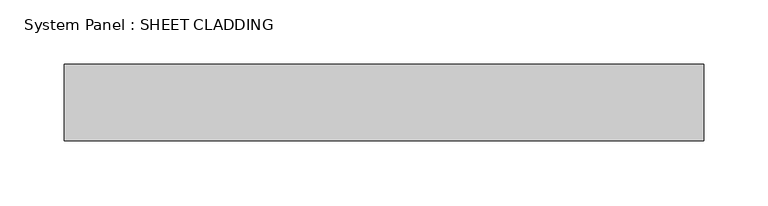
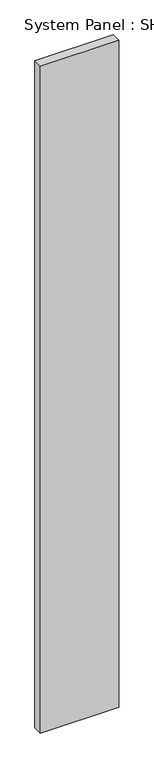
"""IFC4 building model written with IfcOpenShell, lengths in millimetres: plate geometry, System Panel : SHEET CLADDING."""

import ifcopenshell
import ifcopenshell.guid

model = None  # the IFC model being written
_history = None  # IfcOwnerHistory: only IFC2X3 demands one
_inside = {}  # id of a spatial element -> (the spatial element, [elements in it])
_under = {}  # id of a project, library or spatial element -> (it, [spatial elements below it])
_declared = {}  # id of a project -> (the project, [libraries it declares])
_typed = {}  # id of a type object -> (the type object, [elements of that type])
_made_of = {}  # id of a material, layer set ... -> (it, [elements and type objects made of it])


def new_model(schema):
    """Start an empty IFC model of exactly this schema.

    Asked for "IFC4X3", IfcOpenShell would pick the latest addendum, in which some entities
    have other attributes; the version numbers below select the first issue.
    IFC2X3 requires an IfcOwnerHistory on every rooted entity: one is made here for all.
    """
    global model, _history
    if schema == "IFC4X3":
        model = ifcopenshell.file(schema_version=(4, 3, 0, 0))
    else:
        model = ifcopenshell.file(schema=schema)
    _inside.clear()
    _under.clear()
    _declared.clear()
    _typed.clear()
    _made_of.clear()
    _history = None
    if model.schema == "IFC2X3":
        org = make("IfcOrganization", Name="unknown")
        user = make(
            "IfcPersonAndOrganization",
            ThePerson=make("IfcPerson", FamilyName="unknown"),
            TheOrganization=org,
        )
        app = make(
            "IfcApplication",
            ApplicationDeveloper=org,
            Version="unknown",
            ApplicationFullName="unknown",
            ApplicationIdentifier="unknown",
        )
        _history = make(
            "IfcOwnerHistory",
            OwningUser=user,
            OwningApplication=app,
            ChangeAction="ADDED",
            CreationDate=0,
        )
    return model


def make(cls, **values):
    """One entity of the class cls with the attributes given. An attribute that is None is left unset."""
    return model.create_entity(
        cls, **{name: value for name, value in values.items() if value is not None}
    )


def rooted(cls, **values):
    """An entity with a GlobalId (a new one), such as an element, a storey or a relation."""
    return make(cls, GlobalId=ifcopenshell.guid.new(), OwnerHistory=_history, **values)


def si_unit(unit_type, name, prefix=None):
    """IfcSIUnit, for example si_unit("LENGTHUNIT", "METRE", prefix="MILLI")."""
    return make("IfcSIUnit", UnitType=unit_type, Prefix=prefix, Name=name)


def assignment(units):
    """IfcUnitAssignment: the units of a project."""
    return None if units is None else make("IfcUnitAssignment", Units=units)


def point(xyz):
    """IfcCartesianPoint."""
    return None if xyz is None else make("IfcCartesianPoint", Coordinates=xyz)


def direction(xyz):
    """IfcDirection."""
    return None if xyz is None else make("IfcDirection", DirectionRatios=xyz)


def frame(location, z_axis=None, x_axis=None):
    """IfcAxis2Placement3D, a coordinate frame: its origin and axes. An axis left out is left unset."""
    return make(
        "IfcAxis2Placement3D",
        Location=point(location),
        Axis=direction(z_axis),
        RefDirection=direction(x_axis),
    )


def origin():
    """The frame at (0, 0, 0) with its axes left unset."""
    return frame((0.0, 0.0, 0.0))


def origin_with_axes():
    """The frame at (0, 0, 0) with the z axis (0, 0, 1) and the x axis (1, 0, 0) written out."""
    return frame((0.0, 0.0, 0.0), z_axis=(0.0, 0.0, 1.0), x_axis=(1.0, 0.0, 0.0))


def place(relative_to, where):
    """IfcLocalPlacement: puts the frame where relative to a parent placement (None: the world)."""
    return make(
        "IfcLocalPlacement", PlacementRelTo=relative_to, RelativePlacement=where
    )


def context(
    kind, dimensions, precision=None, world=None, true_north=None, identifier=None
):
    """IfcGeometricRepresentationContext, for example the 3D "Model" context."""
    return make(
        "IfcGeometricRepresentationContext",
        ContextIdentifier=identifier,
        ContextType=kind,
        CoordinateSpaceDimension=dimensions,
        Precision=precision,
        WorldCoordinateSystem=world,
        TrueNorth=true_north,
    )


def project(units=None, contexts=None):
    """IfcProject with its units and contexts."""
    return rooted(
        "IfcProject",
        Name="project",
        RepresentationContexts=contexts,
        UnitsInContext=assignment(units),
    )


def spatial(cls, under=None, at=None, **own):
    """A site, building, storey or space (cls), placed at a placement, below another one or the project."""
    s = rooted(cls, ObjectPlacement=at, **own)
    if under is not None:
        _under.setdefault(under.id(), (under, []))[1].append(s)
    return s


def polyline(points):
    """IfcPolyline through the points."""
    return make("IfcPolyline", Points=[point(p) for p in points])


def outline(outer, holes=None, kind="AREA"):
    """IfcArbitraryClosedProfileDef: a profile drawn as a closed curve; with holes, ...WithVoids."""
    if holes is None:
        return make("IfcArbitraryClosedProfileDef", ProfileType=kind, OuterCurve=outer)
    return make(
        "IfcArbitraryProfileDefWithVoids",
        ProfileType=kind,
        OuterCurve=outer,
        InnerCurves=holes,
    )


def extrude(swept, where, along, depth):
    """IfcExtrudedAreaSolid: the profile swept, set in the frame where, extruded along a direction by depth."""
    return make(
        "IfcExtrudedAreaSolid",
        SweptArea=swept,
        Position=where,
        ExtrudedDirection=direction(along),
        Depth=depth,
    )


def shape(context_of_items, identifier, shape_type, items):
    """IfcShapeRepresentation: the items that make up one representation, for example the "Body"."""
    return make(
        "IfcShapeRepresentation",
        ContextOfItems=context_of_items,
        RepresentationIdentifier=identifier,
        RepresentationType=shape_type,
        Items=items,
    )


def source(mapping_origin, context_of_items, identifier, shape_type, items):
    """IfcRepresentationMap: a shape defined once, which mapped items show again and again."""
    return make(
        "IfcRepresentationMap",
        MappingOrigin=mapping_origin,
        MappedRepresentation=shape(context_of_items, identifier, shape_type, items),
    )


def transform(
    local_origin,
    x_axis=None,
    y_axis=None,
    z_axis=None,
    scale=None,
    scale2=None,
    scale3=None,
    uniform=True,
):
    """IfcCartesianTransformationOperator3D, or its non-uniform kind. x_axis, y_axis, z_axis: its Axis1, 2, 3."""
    if uniform:
        return make(
            "IfcCartesianTransformationOperator3D",
            Axis1=direction(x_axis),
            Axis2=direction(y_axis),
            LocalOrigin=point(local_origin),
            Scale=scale,
            Axis3=direction(z_axis),
        )
    return make(
        "IfcCartesianTransformationOperator3DnonUniform",
        Axis1=direction(x_axis),
        Axis2=direction(y_axis),
        LocalOrigin=point(local_origin),
        Scale=scale,
        Axis3=direction(z_axis),
        Scale2=scale2,
        Scale3=scale3,
    )


def mapped(mapping_source, mapping_target):
    """IfcMappedItem: shows the shape of a source again, moved by a transform."""
    return make(
        "IfcMappedItem", MappingSource=mapping_source, MappingTarget=mapping_target
    )


def made_of(thing, what):
    """Note that an element or type object is made of a material, layer set ...; save() writes the relation."""
    if what is not None:
        _made_of.setdefault(what.id(), (what, []))[1].append(thing)
    return thing


def element(
    cls,
    number,
    at=None,
    inside=None,
    cuts=None,
    type_object=None,
    material=None,
    context=None,
    identifier="Body",
    shape_type=None,
    held_by="IfcProductDefinitionShape",
    body=None,
    shapes=None,
    **own,
):
    """One element of the class cls, such as IfcWall. Its Tag is "e" and its number.

    at: its placement. inside: the storey or other place that contains it. cuts: it is an
    opening in that element (IfcRelVoidsElement). A single representation is given by context,
    identifier, shape_type and body (its items); several are given by shapes. held_by: the class
    of the entity that holds the representations. save() writes the other relations.
    """
    e = rooted(cls, Tag="e%d" % number, ObjectPlacement=at, **own)
    if body is not None:
        shapes = [shape(context, identifier, shape_type, body)]
    if shapes is not None:
        e.Representation = make(held_by, Representations=shapes)
    if inside is not None:
        _inside.setdefault(inside.id(), (inside, []))[1].append(e)
    if cuts is not None:
        rooted(
            "IfcRelVoidsElement", RelatingBuildingElement=cuts, RelatedOpeningElement=e
        )
    if type_object is not None:
        _typed.setdefault(type_object.id(), (type_object, []))[1].append(e)
    return made_of(e, material)


def aggregate(whole, parts):
    """IfcRelAggregates: a whole, such as a stair, and the parts it consists of."""
    return rooted("IfcRelAggregates", RelatingObject=whole, RelatedObjects=parts)


def save(model, path):
    """Write the relations noted so far, then the file.

    IfcRelAggregates (storeys below a building ...), IfcRelContainedInSpatialStructure (elements
    in a storey), IfcRelDefinesByType, IfcRelAssociatesMaterial and IfcRelDeclares: one each for
    every whole, place, type object, material and project.
    """
    for whole, parts in _under.values():
        aggregate(whole, parts)
    for where, things in _inside.values():
        rooted(
            "IfcRelContainedInSpatialStructure",
            RelatedElements=things,
            RelatingStructure=where,
        )
    for kind, things in _typed.values():
        rooted("IfcRelDefinesByType", RelatedObjects=things, RelatingType=kind)
    for what, things in _made_of.values():
        rooted("IfcRelAssociatesMaterial", RelatedObjects=things, RelatingMaterial=what)
    for by, libraries in _declared.values():
        rooted("IfcRelDeclares", RelatingContext=by, RelatedDefinitions=libraries)
    model.write(path)


def system_panel_sheet_cladding_d5563303(model_context):
    return source(origin(), model_context, "Body", "SweptSolid", [
        extrude(outline(polyline([(249.9999998, -10.5), (-249.9999998, -10.5), (-249.9999998, 49.5), (249.9999998, 49.5), (249.9999998, -10.5)])), origin_with_axes(), (0.0, 0.0, 1.0), 4500.0),
    ])


if __name__ == "__main__":
    model = new_model("IFC4")
    model_context = context("Model", 3, world=origin())
    ifc_project = project(units=[si_unit("LENGTHUNIT", "METRE", prefix="MILLI")], contexts=[model_context])
    site = spatial("IfcSite", under=ifc_project)
    building = spatial("IfcBuilding", under=site)
    placement = place(None, origin())
    system_panel_sheet_cladding_shape = system_panel_sheet_cladding_d5563303(model_context)
    element("IfcPlate", 1, ObjectType="System Panel : SHEET CLADDING", at=placement, inside=building, context=model_context, shape_type="MappedRepresentation", body=[
        mapped(system_panel_sheet_cladding_shape, transform((0.0, 0.0, 0.0), x_axis=(1.0, 0.0, 0.0), y_axis=(0.0, 1.0, 0.0), z_axis=(0.0, 0.0, 1.0))),
    ])
    save(model, "model.ifc")
